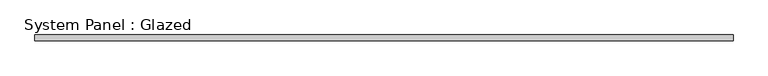
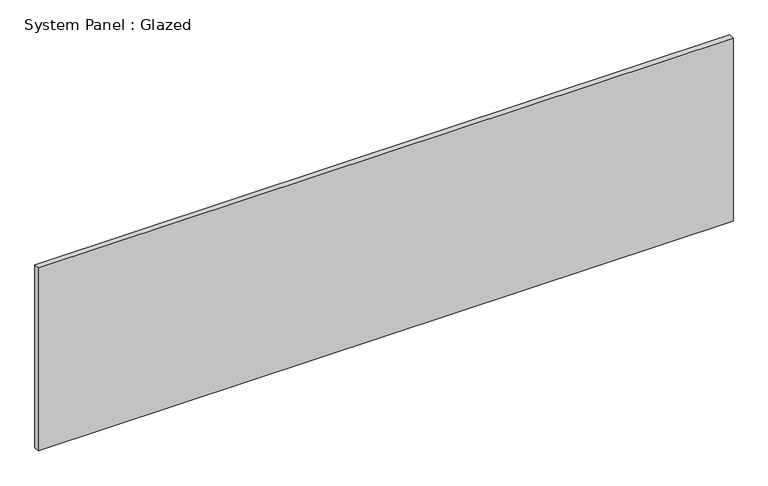
"""IFC4 building model written with IfcOpenShell, lengths in millimetres: plate geometry, System Panel : Glazed."""

from ifc_helpers import new_model, si_unit, origin, origin_with_axes, place, context, project, spatial, polyline, outline, extrude, source, transform, mapped, element, save


def system_panel_glazed_877c99a9(model_context):
    return source(origin(), model_context, "Body", "SweptSolid", [
        extrude(outline(polyline([(1525.7474196, 24.5), (-1525.7474196, 24.5), (-1525.7474196, 49.5), (1525.7474196, 49.5), (1525.7474196, 24.5)])), origin_with_axes(), (0.0, 0.0, 1.0), 850.0),
    ])


if __name__ == "__main__":
    model = new_model("IFC4")
    model_context = context("Model", 3, world=origin())
    ifc_project = project(units=[si_unit("LENGTHUNIT", "METRE", prefix="MILLI")], contexts=[model_context])
    site = spatial("IfcSite", under=ifc_project)
    building = spatial("IfcBuilding", under=site)
    placement = place(None, origin())
    system_panel_glazed_shape = system_panel_glazed_877c99a9(model_context)
    element("IfcPlate", 1, ObjectType="System Panel : Glazed", at=placement, inside=building, context=model_context, shape_type="MappedRepresentation", body=[
        mapped(system_panel_glazed_shape, transform((0.0, 0.0, 0.0), x_axis=(1.0, 0.0, 0.0), y_axis=(0.0, 1.0, 0.0), z_axis=(0.0, 0.0, 1.0))),
    ])
    save(model, "model.ifc")
